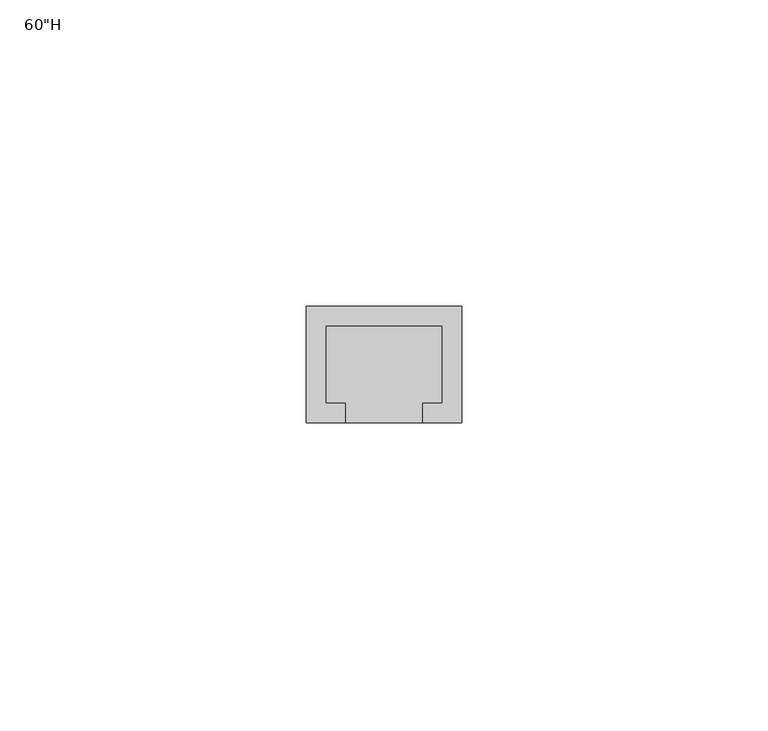
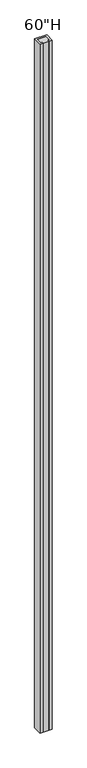
"""IFC4 building model written with IfcOpenShell, lengths in millimetres: furniture geometry."""

from ifc_helpers import new_model, si_unit, frame, origin, place, context, project, spatial, polyline, outline, extrude, source, transform, mapped, element, save


def furniture_52bbc738(model_context):
    return source(origin(), model_context, "Body", "SweptSolid", [
        extrude(outline(polyline([(-6.3500004, -19.05), (-12.7000004, -19.05), (-12.7000004, 0.0), (12.7000004, 0.0), (12.7000004, -19.05), (6.3500004, -19.05), (6.3500004, -15.8685185), (9.5250004, -15.8685185), (9.5250004, -3.1685185), (-9.5250004, -3.1685185), (-9.5250004, -15.8685185), (-6.3500004, -15.8685185), (-6.3500004, -19.05)])), frame((0.0, 0.0, 101.6), z_axis=(0.0, 0.0, 1.0), x_axis=(1.0, 0.0, 0.0)), (0.0, 0.0, 1.0), 1524.0),
        extrude(outline(polyline([(12.7000004, 0.0), (12.7000004, -19.05), (-12.7000004, -19.05), (-12.7000004, 0.0), (12.7000004, 0.0)])), frame((0.0, 0.0, 101.6), z_axis=(0.0, 0.0, 1.0), x_axis=(1.0, 0.0, 0.0)), (0.0, 0.0, 1.0), 1524.0),
    ])


if __name__ == "__main__":
    model = new_model("IFC4")
    model_context = context("Model", 3, world=origin())
    ifc_project = project(units=[si_unit("LENGTHUNIT", "METRE", prefix="MILLI")], contexts=[model_context])
    site = spatial("IfcSite", under=ifc_project)
    building = spatial("IfcBuilding", under=site)
    placement = place(None, origin())
    furniture_shape = furniture_52bbc738(model_context)
    element("IfcFurniture", 1, ObjectType="60\"H", at=placement, inside=building, context=model_context, shape_type="MappedRepresentation", body=[
        mapped(furniture_shape, transform((0.0, 0.0, 0.0), x_axis=(1.0, 0.0, 0.0), y_axis=(0.0, 1.0, 0.0), z_axis=(0.0, 0.0, 1.0))),
    ])
    save(model, "model.ifc")
